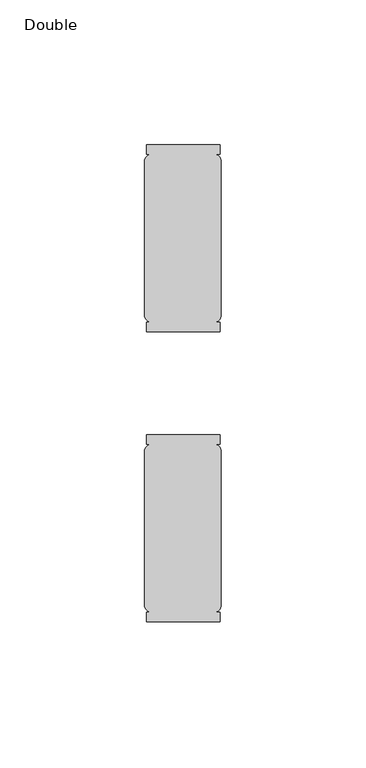
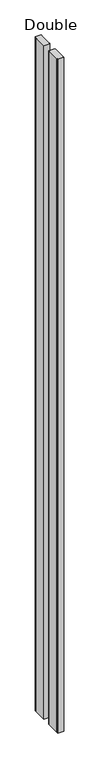
"""IFC4 building model written with IfcOpenShell, lengths in millimetres: furniture geometry, Double."""

from ifc_helpers import new_model, si_unit, point, frame, frame_2d, origin, place, context, project, spatial, polyline, circle_curve, trimmed, segment, composite_curve, outline, extrude, source, transform, mapped, element, save


def double_41731e46(model_context):
    return source(origin(), model_context, "Body", "SweptSolid", [
        extrude(outline(composite_curve([segment(trimmed(circle_curve(frame_2d((-10.4608087, -28.1771142)), 2.794), [point((-13.1617229, -27.4619229))], [point((-11.176, -25.4762))], False, "CARTESIAN"), True, "CONTINUOUS"), segment(polyline([(-11.176, -25.4762), (-12.5772868, -25.4762), (-12.5772868, -22.3012), (12.8227132, -22.3012), (12.8227132, -25.4762), (11.176, -25.4762)]), True, "CONTINUOUS"), segment(trimmed(circle_curve(frame_2d((10.4608087, -28.1771142)), 2.794), [point((11.176, -25.4762))], [point((13.1617229, -27.4619229))], False, "CARTESIAN"), True, "CONTINUOUS"), segment(polyline([(13.1617229, -27.4619229), (13.1617229, -81.5040771)]), True, "CONTINUOUS"), segment(trimmed(circle_curve(frame_2d((10.4608087, -80.7888858)), 2.794), [point((13.1617229, -81.5040771))], [point((11.176, -83.4898))], False, "CARTESIAN"), True, "CONTINUOUS"), segment(polyline([(11.176, -83.4898), (12.8227132, -83.4898), (12.8227132, -86.6648), (-12.5772868, -86.6648), (-12.5772868, -83.4898), (-11.176, -83.4898)]), True, "CONTINUOUS"), segment(trimmed(circle_curve(frame_2d((-10.4608087, -80.7888858)), 2.794), [point((-11.176, -83.4898))], [point((-13.1617229, -81.5040771))], False, "CARTESIAN"), True, "CONTINUOUS"), segment(polyline([(-13.1617229, -81.5040771), (-13.1617229, -27.4619229)]), True, "CONTINUOUS")], self_intersect=False)), frame((0.0, 0.0, 29.718), z_axis=(0.0, 0.0, 1.0), x_axis=(1.0, 0.0, 0.0)), (0.0, 0.0, 1.0), 2985.227399),
        extrude(outline(composite_curve([segment(polyline([(-13.1617229, 18.5211229), (-13.1617229, 72.5632771)]), True, "CONTINUOUS"), segment(trimmed(circle_curve(frame_2d((-10.4608087, 71.8480858)), 2.794), [point((-13.1617229, 72.5632771))], [point((-11.176, 74.549))], False, "CARTESIAN"), True, "CONTINUOUS"), segment(polyline([(-11.176, 74.549), (-12.5772868, 74.549), (-12.5772868, 77.724), (12.8227132, 77.724), (12.8227132, 74.549), (11.176, 74.549)]), True, "CONTINUOUS"), segment(trimmed(circle_curve(frame_2d((10.4608087, 71.8480858)), 2.794), [point((11.176, 74.549))], [point((13.1617229, 72.5632771))], False, "CARTESIAN"), True, "CONTINUOUS"), segment(polyline([(13.1617229, 72.5632771), (13.1617229, 18.5211229)]), True, "CONTINUOUS"), segment(trimmed(circle_curve(frame_2d((10.4608087, 19.2363142)), 2.794), [point((13.1617229, 18.5211229))], [point((11.176, 16.5354))], False, "CARTESIAN"), True, "CONTINUOUS"), segment(polyline([(11.176, 16.5354), (12.8227132, 16.5354), (12.8227132, 13.3604), (-12.5772868, 13.3604), (-12.5772868, 16.5354), (-11.176, 16.5354)]), True, "CONTINUOUS"), segment(trimmed(circle_curve(frame_2d((-10.4608087, 19.2363142)), 2.794), [point((-11.176, 16.5354))], [point((-13.1617229, 18.5211229))], False, "CARTESIAN"), True, "CONTINUOUS")], self_intersect=False)), frame((0.0, 0.0, 29.718), z_axis=(0.0, 0.0, 1.0), x_axis=(1.0, 0.0, 0.0)), (0.0, 0.0, 1.0), 2985.227399),
    ])


if __name__ == "__main__":
    model = new_model("IFC4")
    model_context = context("Model", 3, world=origin())
    ifc_project = project(units=[si_unit("LENGTHUNIT", "METRE", prefix="MILLI")], contexts=[model_context])
    site = spatial("IfcSite", under=ifc_project)
    building = spatial("IfcBuilding", under=site)
    placement = place(None, origin())
    double_shape = double_41731e46(model_context)
    element("IfcFurniture", 1, ObjectType="Double", at=placement, inside=building, context=model_context, shape_type="MappedRepresentation", body=[
        mapped(double_shape, transform((0.0, 0.0, 0.0), x_axis=(1.0, 0.0, 0.0), y_axis=(0.0, 1.0, 0.0), z_axis=(0.0, 0.0, 1.0))),
    ])
    save(model, "model.ifc")
